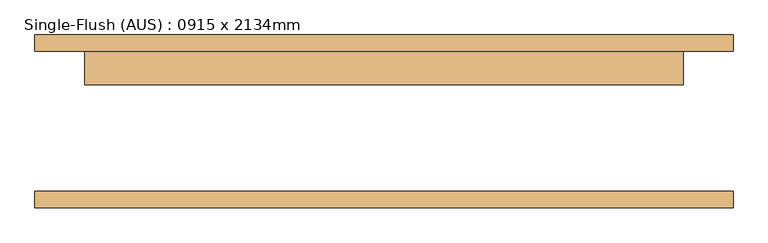
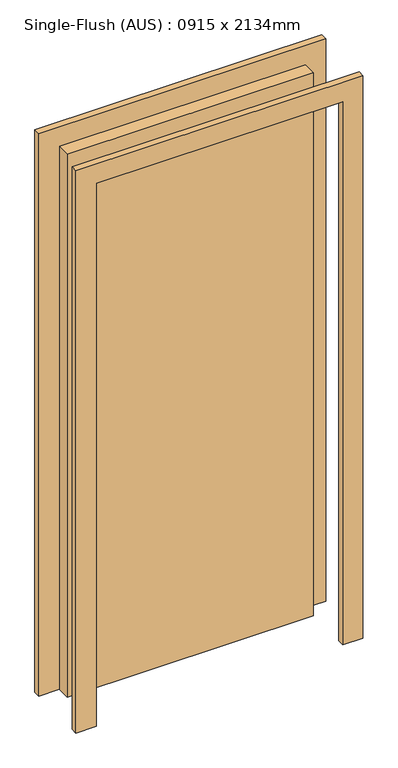
"""IFC4 building model written with IfcOpenShell, lengths in millimetres: door geometry, Single-Flush (AUS) : 0915 x 2134mm."""

from ifc_helpers import new_model, si_unit, frame, origin, origin_with_axes, place, context, project, spatial, polyline, outline, extrude, source, transform, mapped, element, save


def single_flush_aus_0915_x_2134mm_0b45f008(model_context):
    return source(origin(), model_context, "Body", "SweptSolid", [
        extrude(outline(polyline([(2210.0, -533.5), (0.0, -533.5), (0.0, -457.5), (2134.0, -457.5), (2134.0, 457.5), (0.0, 457.5), (0.0, 533.5), (2210.0, 533.5), (2210.0, -533.5)])), frame((0.0, 107.0, 0.0), z_axis=(0.0, 1.0, 0.0), x_axis=(0.0, 0.0, 1.0)), (0.0, 0.0, 1.0), 25.0),
        extrude(outline(polyline([(2210.0, 533.5), (2210.0, -533.5), (0.0, -533.5), (0.0, -457.5), (2134.0, -457.5), (2134.0, 457.5), (0.0, 457.5), (0.0, 533.5), (2210.0, 533.5)])), frame((0.0, -132.0, 0.0), z_axis=(0.0, 1.0, 0.0), x_axis=(0.0, 0.0, 1.0)), (0.0, 0.0, 1.0), 25.0),
        extrude(outline(polyline([(457.5, 56.0), (-457.5, 56.0), (-457.5, 107.0), (457.5, 107.0), (457.5, 56.0)])), origin_with_axes(), (0.0, 0.0, 1.0), 2134.0),
    ])


if __name__ == "__main__":
    model = new_model("IFC4")
    model_context = context("Model", 3, world=origin())
    ifc_project = project(units=[si_unit("LENGTHUNIT", "METRE", prefix="MILLI")], contexts=[model_context])
    site = spatial("IfcSite", under=ifc_project)
    building = spatial("IfcBuilding", under=site)
    placement = place(None, origin())
    single_flush_aus_0915_x_2134mm_shape = single_flush_aus_0915_x_2134mm_0b45f008(model_context)
    element("IfcDoor", 1, ObjectType="Single-Flush (AUS) : 0915 x 2134mm", at=placement, inside=building, context=model_context, shape_type="MappedRepresentation", body=[
        mapped(single_flush_aus_0915_x_2134mm_shape, transform((0.0, 0.0, 0.0), x_axis=(1.0, 0.0, 0.0), y_axis=(0.0, 1.0, 0.0), z_axis=(0.0, 0.0, 1.0))),
    ])
    save(model, "model.ifc")
